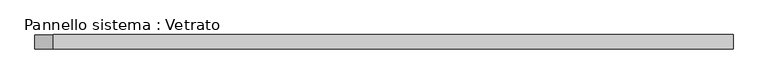
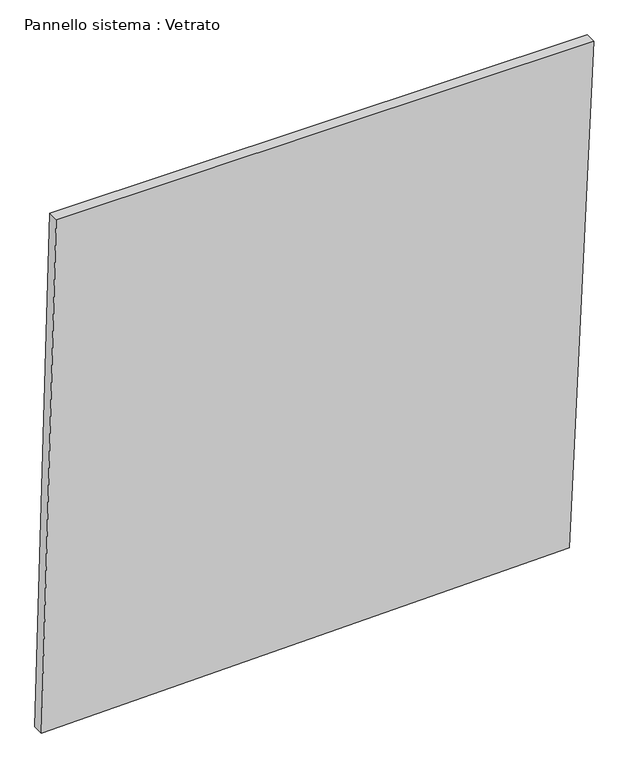
"""IFC4 building model written with IfcOpenShell, lengths in millimetres: plate geometry, Pannello sistema : Vetrato."""

import ifcopenshell
import ifcopenshell.guid

model = None  # the IFC model being written
_history = None  # IfcOwnerHistory: only IFC2X3 demands one
_inside = {}  # id of a spatial element -> (the spatial element, [elements in it])
_under = {}  # id of a project, library or spatial element -> (it, [spatial elements below it])
_declared = {}  # id of a project -> (the project, [libraries it declares])
_typed = {}  # id of a type object -> (the type object, [elements of that type])
_made_of = {}  # id of a material, layer set ... -> (it, [elements and type objects made of it])


def new_model(schema):
    """Start an empty IFC model of exactly this schema.

    Asked for "IFC4X3", IfcOpenShell would pick the latest addendum, in which some entities
    have other attributes; the version numbers below select the first issue.
    IFC2X3 requires an IfcOwnerHistory on every rooted entity: one is made here for all.
    """
    global model, _history
    if schema == "IFC4X3":
        model = ifcopenshell.file(schema_version=(4, 3, 0, 0))
    else:
        model = ifcopenshell.file(schema=schema)
    _inside.clear()
    _under.clear()
    _declared.clear()
    _typed.clear()
    _made_of.clear()
    _history = None
    if model.schema == "IFC2X3":
        org = make("IfcOrganization", Name="unknown")
        user = make(
            "IfcPersonAndOrganization",
            ThePerson=make("IfcPerson", FamilyName="unknown"),
            TheOrganization=org,
        )
        app = make(
            "IfcApplication",
            ApplicationDeveloper=org,
            Version="unknown",
            ApplicationFullName="unknown",
            ApplicationIdentifier="unknown",
        )
        _history = make(
            "IfcOwnerHistory",
            OwningUser=user,
            OwningApplication=app,
            ChangeAction="ADDED",
            CreationDate=0,
        )
    return model


def make(cls, **values):
    """One entity of the class cls with the attributes given. An attribute that is None is left unset."""
    return model.create_entity(
        cls, **{name: value for name, value in values.items() if value is not None}
    )


def rooted(cls, **values):
    """An entity with a GlobalId (a new one), such as an element, a storey or a relation."""
    return make(cls, GlobalId=ifcopenshell.guid.new(), OwnerHistory=_history, **values)


def si_unit(unit_type, name, prefix=None):
    """IfcSIUnit, for example si_unit("LENGTHUNIT", "METRE", prefix="MILLI")."""
    return make("IfcSIUnit", UnitType=unit_type, Prefix=prefix, Name=name)


def assignment(units):
    """IfcUnitAssignment: the units of a project."""
    return None if units is None else make("IfcUnitAssignment", Units=units)


def point(xyz):
    """IfcCartesianPoint."""
    return None if xyz is None else make("IfcCartesianPoint", Coordinates=xyz)


def direction(xyz):
    """IfcDirection."""
    return None if xyz is None else make("IfcDirection", DirectionRatios=xyz)


def frame(location, z_axis=None, x_axis=None):
    """IfcAxis2Placement3D, a coordinate frame: its origin and axes. An axis left out is left unset."""
    return make(
        "IfcAxis2Placement3D",
        Location=point(location),
        Axis=direction(z_axis),
        RefDirection=direction(x_axis),
    )


def origin():
    """The frame at (0, 0, 0) with its axes left unset."""
    return frame((0.0, 0.0, 0.0))


def place(relative_to, where):
    """IfcLocalPlacement: puts the frame where relative to a parent placement (None: the world)."""
    return make(
        "IfcLocalPlacement", PlacementRelTo=relative_to, RelativePlacement=where
    )


def context(
    kind, dimensions, precision=None, world=None, true_north=None, identifier=None
):
    """IfcGeometricRepresentationContext, for example the 3D "Model" context."""
    return make(
        "IfcGeometricRepresentationContext",
        ContextIdentifier=identifier,
        ContextType=kind,
        CoordinateSpaceDimension=dimensions,
        Precision=precision,
        WorldCoordinateSystem=world,
        TrueNorth=true_north,
    )


def project(units=None, contexts=None):
    """IfcProject with its units and contexts."""
    return rooted(
        "IfcProject",
        Name="project",
        RepresentationContexts=contexts,
        UnitsInContext=assignment(units),
    )


def spatial(cls, under=None, at=None, **own):
    """A site, building, storey or space (cls), placed at a placement, below another one or the project."""
    s = rooted(cls, ObjectPlacement=at, **own)
    if under is not None:
        _under.setdefault(under.id(), (under, []))[1].append(s)
    return s


def polyline(points):
    """IfcPolyline through the points."""
    return make("IfcPolyline", Points=[point(p) for p in points])


def outline(outer, holes=None, kind="AREA"):
    """IfcArbitraryClosedProfileDef: a profile drawn as a closed curve; with holes, ...WithVoids."""
    if holes is None:
        return make("IfcArbitraryClosedProfileDef", ProfileType=kind, OuterCurve=outer)
    return make(
        "IfcArbitraryProfileDefWithVoids",
        ProfileType=kind,
        OuterCurve=outer,
        InnerCurves=holes,
    )


def extrude(swept, where, along, depth):
    """IfcExtrudedAreaSolid: the profile swept, set in the frame where, extruded along a direction by depth."""
    return make(
        "IfcExtrudedAreaSolid",
        SweptArea=swept,
        Position=where,
        ExtrudedDirection=direction(along),
        Depth=depth,
    )


def shape(context_of_items, identifier, shape_type, items):
    """IfcShapeRepresentation: the items that make up one representation, for example the "Body"."""
    return make(
        "IfcShapeRepresentation",
        ContextOfItems=context_of_items,
        RepresentationIdentifier=identifier,
        RepresentationType=shape_type,
        Items=items,
    )


def source(mapping_origin, context_of_items, identifier, shape_type, items):
    """IfcRepresentationMap: a shape defined once, which mapped items show again and again."""
    return make(
        "IfcRepresentationMap",
        MappingOrigin=mapping_origin,
        MappedRepresentation=shape(context_of_items, identifier, shape_type, items),
    )


def transform(
    local_origin,
    x_axis=None,
    y_axis=None,
    z_axis=None,
    scale=None,
    scale2=None,
    scale3=None,
    uniform=True,
):
    """IfcCartesianTransformationOperator3D, or its non-uniform kind. x_axis, y_axis, z_axis: its Axis1, 2, 3."""
    if uniform:
        return make(
            "IfcCartesianTransformationOperator3D",
            Axis1=direction(x_axis),
            Axis2=direction(y_axis),
            LocalOrigin=point(local_origin),
            Scale=scale,
            Axis3=direction(z_axis),
        )
    return make(
        "IfcCartesianTransformationOperator3DnonUniform",
        Axis1=direction(x_axis),
        Axis2=direction(y_axis),
        LocalOrigin=point(local_origin),
        Scale=scale,
        Axis3=direction(z_axis),
        Scale2=scale2,
        Scale3=scale3,
    )


def mapped(mapping_source, mapping_target):
    """IfcMappedItem: shows the shape of a source again, moved by a transform."""
    return make(
        "IfcMappedItem", MappingSource=mapping_source, MappingTarget=mapping_target
    )


def made_of(thing, what):
    """Note that an element or type object is made of a material, layer set ...; save() writes the relation."""
    if what is not None:
        _made_of.setdefault(what.id(), (what, []))[1].append(thing)
    return thing


def element(
    cls,
    number,
    at=None,
    inside=None,
    cuts=None,
    type_object=None,
    material=None,
    context=None,
    identifier="Body",
    shape_type=None,
    held_by="IfcProductDefinitionShape",
    body=None,
    shapes=None,
    **own,
):
    """One element of the class cls, such as IfcWall. Its Tag is "e" and its number.

    at: its placement. inside: the storey or other place that contains it. cuts: it is an
    opening in that element (IfcRelVoidsElement). A single representation is given by context,
    identifier, shape_type and body (its items); several are given by shapes. held_by: the class
    of the entity that holds the representations. save() writes the other relations.
    """
    e = rooted(cls, Tag="e%d" % number, ObjectPlacement=at, **own)
    if body is not None:
        shapes = [shape(context, identifier, shape_type, body)]
    if shapes is not None:
        e.Representation = make(held_by, Representations=shapes)
    if inside is not None:
        _inside.setdefault(inside.id(), (inside, []))[1].append(e)
    if cuts is not None:
        rooted(
            "IfcRelVoidsElement", RelatingBuildingElement=cuts, RelatedOpeningElement=e
        )
    if type_object is not None:
        _typed.setdefault(type_object.id(), (type_object, []))[1].append(e)
    return made_of(e, material)


def aggregate(whole, parts):
    """IfcRelAggregates: a whole, such as a stair, and the parts it consists of."""
    return rooted("IfcRelAggregates", RelatingObject=whole, RelatedObjects=parts)


def save(model, path):
    """Write the relations noted so far, then the file.

    IfcRelAggregates (storeys below a building ...), IfcRelContainedInSpatialStructure (elements
    in a storey), IfcRelDefinesByType, IfcRelAssociatesMaterial and IfcRelDeclares: one each for
    every whole, place, type object, material and project.
    """
    for whole, parts in _under.values():
        aggregate(whole, parts)
    for where, things in _inside.values():
        rooted(
            "IfcRelContainedInSpatialStructure",
            RelatedElements=things,
            RelatingStructure=where,
        )
    for kind, things in _typed.values():
        rooted("IfcRelDefinesByType", RelatedObjects=things, RelatingType=kind)
    for what, things in _made_of.values():
        rooted("IfcRelAssociatesMaterial", RelatedObjects=things, RelatingMaterial=what)
    for by, libraries in _declared.values():
        rooted("IfcRelDeclares", RelatingContext=by, RelatedDefinitions=libraries)
    model.write(path)


def pannello_sistema_vetrato_75225d0b(model_context):
    return source(origin(), model_context, "Body", "SweptSolid", [
        extrude(outline(polyline([(0.0, -734.4880403), (29.8472949, 669.3131723), (1430.1550492, 734.4880403), (1429.968415, -695.599567), (0.0, -734.4880403)])), frame((0.0, -15.0, 0.0), z_axis=(0.0, 1.0, 0.0), x_axis=(0.0, 0.0, 1.0)), (0.0, 0.0, 1.0), 30.0),
    ])


if __name__ == "__main__":
    model = new_model("IFC4")
    model_context = context("Model", 3, world=origin())
    ifc_project = project(units=[si_unit("LENGTHUNIT", "METRE", prefix="MILLI")], contexts=[model_context])
    site = spatial("IfcSite", under=ifc_project)
    building = spatial("IfcBuilding", under=site)
    placement = place(None, origin())
    pannello_sistema_vetrato_shape = pannello_sistema_vetrato_75225d0b(model_context)
    element("IfcPlate", 1, ObjectType="Pannello sistema : Vetrato", at=placement, inside=building, context=model_context, shape_type="MappedRepresentation", body=[
        mapped(pannello_sistema_vetrato_shape, transform((0.0, 0.0, 0.0), x_axis=(1.0, 0.0, 0.0), y_axis=(0.0, 1.0, 0.0), z_axis=(0.0, 0.0, 1.0))),
    ])
    save(model, "model.ifc")
